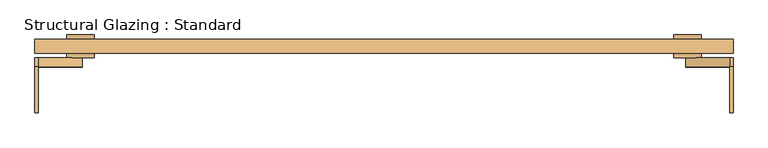
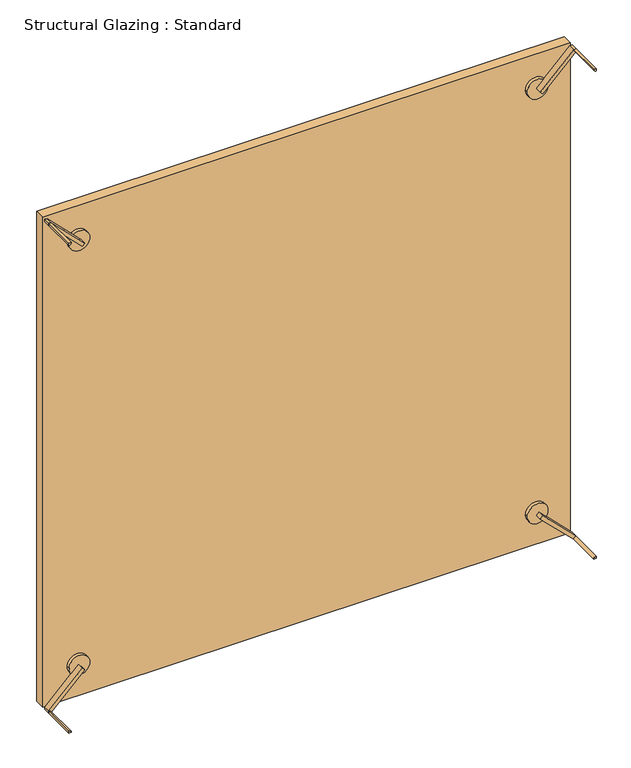
"""IFC4 building model written with IfcOpenShell, lengths in millimetres: door geometry, Structural Glazing : Standard."""

from ifc_helpers import new_model, si_unit, point, frame, frame_2d, origin, origin_with_axes, place, context, project, spatial, polyline, circle_curve, trimmed, segment, composite_curve, outline, extrude, source, transform, mapped, element, save


def structural_glazing_standard_4ac2f51d(model_context):
    return source(origin(), model_context, "Body", "SweptSolid", [
        extrude(outline(composite_curve([segment(trimmed(circle_curve(frame_2d((100.0, 663.5223146)), 30.0), [point((100.0, 633.5223146))], [point((100.0, 693.5223146))], False, "CARTESIAN"), True, "CONTINUOUS"), segment(trimmed(circle_curve(frame_2d((100.0, 663.5223146)), 30.0), [point((100.0, 693.5223146))], [point((100.0, 633.5223146))], False, "CARTESIAN"), True, "CONTINUOUS")], self_intersect=False)), frame((0.0, -38.9615014, 0.0), z_axis=(0.0, 1.0, 0.0), x_axis=(0.0, 0.0, 1.0)), (0.0, 0.0, 1.0), 10.0),
        extrude(outline(composite_curve([segment(trimmed(circle_curve(frame_2d((100.0, -663.5223146)), 30.0), [point((100.0, -693.5223146))], [point((100.0, -633.5223146))], False, "CARTESIAN"), True, "CONTINUOUS"), segment(trimmed(circle_curve(frame_2d((100.0, -663.5223146)), 30.0), [point((100.0, -633.5223146))], [point((100.0, -693.5223146))], False, "CARTESIAN"), True, "CONTINUOUS")], self_intersect=False)), frame((0.0, -38.9615014, 0.0), z_axis=(0.0, 1.0, 0.0), x_axis=(0.0, 0.0, 1.0)), (0.0, 0.0, 1.0), 10.0),
        extrude(outline(composite_curve([segment(trimmed(circle_curve(frame_2d((1400.0, -663.5223146)), 30.0), [point((1400.0, -693.5223146))], [point((1400.0, -633.5223146))], False, "CARTESIAN"), True, "CONTINUOUS"), segment(trimmed(circle_curve(frame_2d((1400.0, -663.5223146)), 30.0), [point((1400.0, -633.5223146))], [point((1400.0, -693.5223146))], False, "CARTESIAN"), True, "CONTINUOUS")], self_intersect=False)), frame((0.0, -38.9615014, 0.0), z_axis=(0.0, 1.0, 0.0), x_axis=(0.0, 0.0, 1.0)), (0.0, 0.0, 1.0), 10.0),
        extrude(outline(composite_curve([segment(trimmed(circle_curve(frame_2d((1400.0, 663.5223146)), 30.0), [point((1400.0, 633.5223146))], [point((1400.0, 693.5223146))], False, "CARTESIAN"), True, "CONTINUOUS"), segment(trimmed(circle_curve(frame_2d((1400.0, 663.5223146)), 30.0), [point((1400.0, 693.5223146))], [point((1400.0, 633.5223146))], False, "CARTESIAN"), True, "CONTINUOUS")], self_intersect=False)), frame((0.0, -38.9615014, 0.0), z_axis=(0.0, 1.0, 0.0), x_axis=(0.0, 0.0, 1.0)), (0.0, 0.0, 1.0), 10.0),
        extrude(outline(composite_curve([segment(trimmed(circle_curve(frame_2d((100.0, -663.5223146)), 30.0), [point((100.0, -693.5223146))], [point((100.0, -633.5223146))], False, "CARTESIAN"), True, "CONTINUOUS"), segment(trimmed(circle_curve(frame_2d((100.0, -663.5223146)), 30.0), [point((100.0, -633.5223146))], [point((100.0, -693.5223146))], False, "CARTESIAN"), True, "CONTINUOUS")], self_intersect=False)), frame((0.0, 1.0384986, 0.0), z_axis=(0.0, 1.0, 0.0), x_axis=(0.0, 0.0, 1.0)), (0.0, 0.0, 1.0), 10.0),
        extrude(outline(composite_curve([segment(trimmed(circle_curve(frame_2d((100.0, 663.5223146)), 30.0), [point((100.0, 633.5223146))], [point((100.0, 693.5223146))], False, "CARTESIAN"), True, "CONTINUOUS"), segment(trimmed(circle_curve(frame_2d((100.0, 663.5223146)), 30.0), [point((100.0, 693.5223146))], [point((100.0, 633.5223146))], False, "CARTESIAN"), True, "CONTINUOUS")], self_intersect=False)), frame((0.0, 1.0384986, 0.0), z_axis=(0.0, 1.0, 0.0), x_axis=(0.0, 0.0, 1.0)), (0.0, 0.0, 1.0), 10.0),
        extrude(outline(composite_curve([segment(trimmed(circle_curve(frame_2d((1400.0, -663.5223146)), 30.0), [point((1400.0, -693.5223146))], [point((1400.0, -633.5223146))], False, "CARTESIAN"), True, "CONTINUOUS"), segment(trimmed(circle_curve(frame_2d((1400.0, -663.5223146)), 30.0), [point((1400.0, -633.5223146))], [point((1400.0, -693.5223146))], False, "CARTESIAN"), True, "CONTINUOUS")], self_intersect=False)), frame((0.0, 1.0384986, 0.0), z_axis=(0.0, 1.0, 0.0), x_axis=(0.0, 0.0, 1.0)), (0.0, 0.0, 1.0), 10.0),
        extrude(outline(composite_curve([segment(trimmed(circle_curve(frame_2d((1400.0, 663.5223146)), 30.0), [point((1400.0, 633.5223146))], [point((1400.0, 693.5223146))], False, "CARTESIAN"), True, "CONTINUOUS"), segment(trimmed(circle_curve(frame_2d((1400.0, 663.5223146)), 30.0), [point((1400.0, 693.5223146))], [point((1400.0, 633.5223146))], False, "CARTESIAN"), True, "CONTINUOUS")], self_intersect=False)), frame((0.0, 1.0384986, 0.0), z_axis=(0.0, 1.0, 0.0), x_axis=(0.0, 0.0, 1.0)), (0.0, 0.0, 1.0), 10.0),
        extrude(outline(polyline([(763.5223146, -28.9615014), (-763.5223146, -28.9615014), (-763.5223146, 1.0384986), (763.5223146, 1.0384986), (763.5223146, -28.9615014)])), origin_with_axes(), (0.0, 0.0, 1.0), 1500.0),
        extrude(outline(composite_curve([segment(polyline([(0.0, 763.5223146), (7.0710678, 763.5223146)]), True, "CONTINUOUS"), segment(trimmed(circle_curve(frame_2d((0.0, 763.5223146)), 7.0710678), [point((7.0710678, 763.5223146))], [point((0.0, 756.4512468))], False, "CARTESIAN"), True, "CONTINUOUS"), segment(polyline([(0.0, 756.4512468), (0.0, 763.5223146)]), True, "CONTINUOUS")], self_intersect=False)), frame((0.0, -158.9615014, 0.0), z_axis=(0.0, 1.0, 0.0), x_axis=(0.0, 0.0, 1.0)), (0.0, 0.0, 1.0), 100.0),
        extrude(outline(composite_curve([segment(polyline([(0.0, -763.5223146), (0.0, -756.4512468)]), True, "CONTINUOUS"), segment(trimmed(circle_curve(frame_2d((0.0, -763.5223146)), 7.0710678), [point((0.0, -756.4512468))], [point((7.0710678, -763.5223146))], False, "CARTESIAN"), True, "CONTINUOUS"), segment(polyline([(7.0710678, -763.5223146), (0.0, -763.5223146)]), True, "CONTINUOUS")], self_intersect=False)), frame((0.0, -158.9615014, 0.0), z_axis=(0.0, 1.0, 0.0), x_axis=(0.0, 0.0, 1.0)), (0.0, 0.0, 1.0), 100.0),
        extrude(outline(composite_curve([segment(polyline([(1500.0, 763.5223146), (1500.0, 756.4512468)]), True, "CONTINUOUS"), segment(trimmed(circle_curve(frame_2d((1500.0, 763.5223146)), 7.0710678), [point((1500.0, 756.4512468))], [point((1492.9289322, 763.5223146))], False, "CARTESIAN"), True, "CONTINUOUS"), segment(polyline([(1492.9289322, 763.5223146), (1500.0, 763.5223146)]), True, "CONTINUOUS")], self_intersect=False)), frame((0.0, -158.9615014, 0.0), z_axis=(0.0, 1.0, 0.0), x_axis=(0.0, 0.0, 1.0)), (0.0, 0.0, 1.0), 100.0),
        extrude(outline(composite_curve([segment(polyline([(1500.0, -756.4512468), (1500.0, -763.5223146), (1492.9289322, -763.5223146)]), True, "CONTINUOUS"), segment(trimmed(circle_curve(frame_2d((1500.0, -763.5223146)), 7.0710678), [point((1492.9289322, -763.5223146))], [point((1500.0, -756.4512468))], False, "CARTESIAN"), True, "CONTINUOUS")], self_intersect=False)), frame((0.0, -158.9615014, 0.0), z_axis=(0.0, 1.0, 0.0), x_axis=(0.0, 0.0, 1.0)), (0.0, 0.0, 1.0), 100.0),
        extrude(outline(polyline([(103.5355339, 667.0578485), (96.4644661, 659.9867807), (0.0, 756.4512468), (0.0, 763.5223146), (7.0710678, 763.5223146), (103.5355339, 667.0578485)])), frame((0.0, -58.9615014, 0.0), z_axis=(0.0, 1.0, 0.0), x_axis=(0.0, 0.0, 1.0)), (0.0, 0.0, 1.0), 20.0),
        extrude(outline(polyline([(0.0, -763.5223146), (0.0, -756.4512468), (96.4644661, -659.9867807), (103.5355339, -667.0578485), (7.0710678, -763.5223146), (0.0, -763.5223146)])), frame((0.0, -58.9615014, 0.0), z_axis=(0.0, 1.0, 0.0), x_axis=(0.0, 0.0, 1.0)), (0.0, 0.0, 1.0), 20.0),
        extrude(outline(polyline([(1500.0, -756.4512468), (1500.0, -763.5223146), (1492.9289322, -763.5223146), (1396.4644661, -667.0578485), (1403.5355339, -659.9867807), (1500.0, -756.4512468)])), frame((0.0, -58.9615014, 0.0), z_axis=(0.0, 1.0, 0.0), x_axis=(0.0, 0.0, 1.0)), (0.0, 0.0, 1.0), 20.0),
        extrude(outline(polyline([(1500.0, 756.4512468), (1403.5355339, 659.9867807), (1396.4644661, 667.0578485), (1492.9289322, 763.5223146), (1500.0, 763.5223146), (1500.0, 756.4512468)])), frame((0.0, -58.9615014, 0.0), z_axis=(0.0, 1.0, 0.0), x_axis=(0.0, 0.0, 1.0)), (0.0, 0.0, 1.0), 20.0),
    ])


if __name__ == "__main__":
    model = new_model("IFC4")
    model_context = context("Model", 3, world=origin())
    ifc_project = project(units=[si_unit("LENGTHUNIT", "METRE", prefix="MILLI")], contexts=[model_context])
    site = spatial("IfcSite", under=ifc_project)
    building = spatial("IfcBuilding", under=site)
    placement = place(None, origin())
    structural_glazing_standard_shape = structural_glazing_standard_4ac2f51d(model_context)
    element("IfcDoor", 1, ObjectType="Structural Glazing : Standard", at=placement, inside=building, context=model_context, shape_type="MappedRepresentation", body=[
        mapped(structural_glazing_standard_shape, transform((0.0, 0.0, 0.0), x_axis=(1.0, 0.0, 0.0), y_axis=(0.0, 1.0, 0.0), z_axis=(0.0, 0.0, 1.0))),
    ])
    save(model, "model.ifc")
